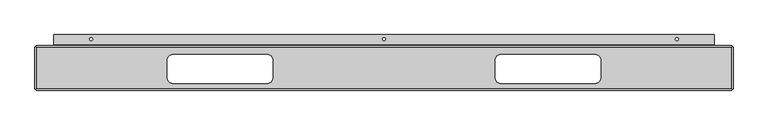
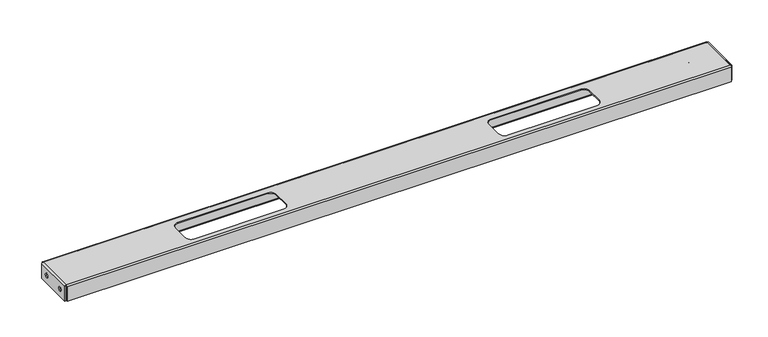
"""IFC4 building model written with IfcOpenShell, lengths in millimetres: proxy geometry."""

from ifc_helpers import new_model, si_unit, frame, origin, place, context, project, spatial, polyline, circle_curve, source, transform, mapped, element, save
from ifc_brep_helpers import plane_surface, cylinder_surface, revolved_surface, advanced_brep


def generic_models_211fd346(model_context):
    return source(origin(), model_context, "Body", "AdvancedBrep", [
        advanced_brep(
        [(0.0, -22.2758, -23.34006), (1.6129, -22.2758, -23.34006), (1.6129, -22.2758, -13.81506), (0.0, -22.2758, -13.81506), (1512.33378, -22.2758, -23.34006), (1513.94668, -22.2758, -23.34006), (1513.94668, -22.2758, -13.81506), (1512.33378, -22.2758, -13.81506), (0.0, -74.5617, -23.34006), (1.6129, -74.5617, -23.34006), (1.6129, -74.5617, -13.81506), (0.0, -74.5617, -13.81506), (1512.33378, -74.5617, -23.34006), (1513.94668, -74.5617, -23.34006), (1513.94668, -74.5617, -13.81506), (1512.33378, -74.5617, -13.81506), (1395.14834, 14.2621, -36.4871), (1395.14834, 14.2621, -34.8742), (1388.79834, 14.2621, -34.8742), (1388.79834, 14.2621, -36.4871), (125.14834, 14.2621, -36.4871), (125.14834, 14.2621, -34.8742), (118.79834, 14.2621, -34.8742), (118.79834, 14.2621, -36.4871), (760.14834, 14.2621, -36.4871), (760.14834, 14.2621, -34.8742), (753.79834, 14.2621, -34.8742), (753.79834, 14.2621, -36.4871), (299.77334, -18.9611, 0.0), (502.97334, -18.9611, 0.0), (502.97334, -18.9611, 1.6129), (299.77334, -18.9611, 1.6129), (287.07334, -31.6611, 0.0), (287.07334, -31.6611, 1.6129), (287.07334, -69.7611, 0.0), (287.07334, -69.7611, 1.6129), (299.77334, -82.4611, 0.0), (299.77334, -82.4611, 1.6129), (502.97334, -82.4611, 0.0), (502.97334, -82.4611, 1.6129), (515.67334, -69.7611, 0.0), (515.67334, -69.7611, 1.6129), (515.67334, -31.6611, 0.0), (515.67334, -31.6611, 1.6129), (1010.97334, -18.9611, 0.0), (1214.17334, -18.9611, 0.0), (1214.17334, -18.9611, 1.6129), (1010.97334, -18.9611, 1.6129), (998.27334, -31.6611, 0.0), (998.27334, -31.6611, 1.6129), (998.27334, -69.7611, 0.0), (998.27334, -69.7611, 1.6129), (1010.97334, -82.4611, 0.0), (1010.97334, -82.4611, 1.6129), (1214.17334, -82.4611, 0.0), (1214.17334, -82.4611, 1.6129), (1226.87334, -69.7611, 0.0), (1226.87334, -69.7611, 1.6129), (1226.87334, -31.6611, 0.0), (1226.87334, -31.6611, 1.6129), (41.3258, 1.6129, -36.4871), (1472.62088, 1.6129, -36.4871), (1472.62088, -1.6129, -33.2613), (41.3258, -1.6129, -33.2613), (1472.62088, 1.6129, -34.8742), (41.3258, 1.6129, -34.8742), (41.3258, 0.0, -33.2613), (1472.62088, 0.0, -33.2613), (3.2258, -1.6129, -33.2613), (3.2258, 0.0, -33.2613), (1510.72088, 0.0, -33.2613), (1510.72088, -1.6129, -33.2613), (1510.72088, 0.0, -1.6129), (1510.72088, -3.2258, 1.6129), (1510.72088, -3.2258, 0.0), (1510.72088, -1.6129, -1.6129), (3.2258, -1.6129, -1.6129), (3.2258, 0.0, -1.6129), (1510.72088, -96.8375, -36.4871), (1510.72088, -96.8375, -1.6129), (3.2258, -96.8375, -1.6129), (3.2258, -96.8375, -36.4871), (1510.72088, -95.2246, -36.4871), (3.2258, -95.2246, -36.4871), (1513.94668, -93.6117, -1.6129), (1513.94668, -3.2258, -1.6129), (1510.72088, -93.6117, 1.6129), (1512.33378, -3.2258, -1.6129), (1512.33378, -93.6117, -1.6129), (1510.72088, -93.6117, 0.0), (1510.72088, -95.2246, -1.6129), (3.2258, -3.2258, 0.0), (3.2258, -93.6117, 1.6129), (3.2258, -93.6117, 0.0), (0.0, -3.2258, -1.6129), (0.0, -93.6117, -1.6129), (3.2258, -3.2258, 1.6129), (1.6129, -93.6117, -1.6129), (1.6129, -3.2258, -1.6129), (3.2258, -95.2246, -1.6129), (0.0, -93.6117, -36.4871), (1.6129, -93.6117, -36.4871), (0.0, -3.2258, -36.4871), (1.6129, -3.2258, -36.4871), (1513.94668, -3.2258, -36.4871), (1512.33378, -3.2258, -36.4871), (1513.94668, -93.6117, -36.4871), (1512.33378, -93.6117, -36.4871), (1472.62088, 23.7871, -36.4871), (1472.62088, 23.7871, -34.8742), (41.3258, 23.7871, -36.4871), (41.3258, 23.7871, -34.8742)],
        [
            (0, 1),
            (1, 2, circle_curve(frame((1.6129, -22.2758, -18.57756), z_axis=(1.0, 0.0, 0.0), x_axis=(0.0, 0.0, -1.0)), 4.7625)),
            (2, 3),
            (3, 0, circle_curve(frame((0.0, -22.2758, -18.57756), z_axis=(-1.0, 0.0, 0.0), x_axis=(0.0, 0.0, -1.0)), 4.7625)),
            (4, 5),
            (5, 6, circle_curve(frame((1513.94668, -22.2758, -18.57756), z_axis=(1.0, 0.0, 0.0), x_axis=(0.0, 0.0, -1.0)), 4.7625)),
            (6, 7),
            (7, 4, circle_curve(frame((1512.33378, -22.2758, -18.57756), z_axis=(-1.0, 0.0, 0.0), x_axis=(0.0, 0.0, -1.0)), 4.7625)),
            (8, 9),
            (9, 10, circle_curve(frame((1.6129, -74.5617, -18.57756), z_axis=(1.0, 0.0, 0.0), x_axis=(0.0, 0.0, -1.0)), 4.7625)),
            (10, 11),
            (11, 8, circle_curve(frame((0.0, -74.5617, -18.57756), z_axis=(-1.0, 0.0, 0.0), x_axis=(0.0, 0.0, -1.0)), 4.7625)),
            (12, 13),
            (13, 14, circle_curve(frame((1513.94668, -74.5617, -18.57756), z_axis=(1.0, 0.0, 0.0), x_axis=(0.0, 0.0, -1.0)), 4.7625)),
            (14, 15),
            (15, 12, circle_curve(frame((1512.33378, -74.5617, -18.57756), z_axis=(-1.0, 0.0, 0.0), x_axis=(0.0, 0.0, -1.0)), 4.7625)),
            (16, 17),
            (17, 18, circle_curve(frame((1391.97334, 14.2621, -34.8742), z_axis=(0.0, 0.0, 1.0), x_axis=(1.0, 0.0, 0.0)), 3.175)),
            (18, 19),
            (19, 16, circle_curve(frame((1391.97334, 14.2621, -36.4871), z_axis=(0.0, 0.0, -1.0), x_axis=(1.0, 0.0, 0.0)), 3.175)),
            (20, 21),
            (21, 22, circle_curve(frame((121.97334, 14.2621, -34.8742), z_axis=(0.0, 0.0, 1.0), x_axis=(1.0, 0.0, 0.0)), 3.175)),
            (22, 23),
            (23, 20, circle_curve(frame((121.97334, 14.2621, -36.4871), z_axis=(0.0, 0.0, -1.0), x_axis=(1.0, 0.0, 0.0)), 3.175)),
            (24, 25),
            (25, 26, circle_curve(frame((756.97334, 14.2621, -34.8742), z_axis=(0.0, 0.0, 1.0), x_axis=(1.0, 0.0, 0.0)), 3.175)),
            (26, 27),
            (27, 24, circle_curve(frame((756.97334, 14.2621, -36.4871), z_axis=(0.0, 0.0, -1.0), x_axis=(1.0, 0.0, 0.0)), 3.175)),
            (24, 27, circle_curve(frame((756.97334, 14.2621, -36.4871), z_axis=(0.0, 0.0, -1.0), x_axis=(1.0, 0.0, 0.0)), 3.175)),
            (26, 25, circle_curve(frame((756.97334, 14.2621, -34.8742), z_axis=(0.0, 0.0, 1.0), x_axis=(1.0, 0.0, 0.0)), 3.175)),
            (20, 23, circle_curve(frame((121.97334, 14.2621, -36.4871), z_axis=(0.0, 0.0, -1.0), x_axis=(1.0, 0.0, 0.0)), 3.175)),
            (22, 21, circle_curve(frame((121.97334, 14.2621, -34.8742), z_axis=(0.0, 0.0, 1.0), x_axis=(1.0, 0.0, 0.0)), 3.175)),
            (16, 19, circle_curve(frame((1391.97334, 14.2621, -36.4871), z_axis=(0.0, 0.0, -1.0), x_axis=(1.0, 0.0, 0.0)), 3.175)),
            (18, 17, circle_curve(frame((1391.97334, 14.2621, -34.8742), z_axis=(0.0, 0.0, 1.0), x_axis=(1.0, 0.0, 0.0)), 3.175)),
            (28, 29),
            (29, 30),
            (30, 31),
            (31, 28),
            (32, 28, circle_curve(frame((299.77334, -31.6611, 0.0), z_axis=(0.0, 0.0, -1.0), x_axis=(0.0, -1.0, 0.0)), 12.7)),
            (31, 33, circle_curve(frame((299.77334, -31.6611, 1.6129), z_axis=(0.0, 0.0, 1.0), x_axis=(0.0, -1.0, 0.0)), 12.7)),
            (33, 32),
            (34, 32),
            (33, 35),
            (35, 34),
            (36, 34, circle_curve(frame((299.77334, -69.7611, 0.0), z_axis=(0.0, 0.0, -1.0), x_axis=(1.0, 0.0, 0.0)), 12.7)),
            (35, 37, circle_curve(frame((299.77334, -69.7611, 1.6129), z_axis=(0.0, 0.0, 1.0), x_axis=(1.0, 0.0, 0.0)), 12.7)),
            (37, 36),
            (38, 36),
            (37, 39),
            (39, 38),
            (40, 38, circle_curve(frame((502.97334, -69.7611, 0.0), z_axis=(0.0, 0.0, -1.0), x_axis=(0.0, 1.0, 0.0)), 12.7)),
            (39, 41, circle_curve(frame((502.97334, -69.7611, 1.6129), z_axis=(0.0, 0.0, 1.0), x_axis=(0.0, 1.0, 0.0)), 12.7)),
            (41, 40),
            (42, 40),
            (41, 43),
            (43, 42),
            (29, 42, circle_curve(frame((502.97334, -31.6611, 0.0), z_axis=(0.0, 0.0, -1.0), x_axis=(-1.0, 0.0, 0.0)), 12.7)),
            (43, 30, circle_curve(frame((502.97334, -31.6611, 1.6129), z_axis=(0.0, 0.0, 1.0), x_axis=(-1.0, 0.0, 0.0)), 12.7)),
            (44, 45),
            (45, 46),
            (46, 47),
            (47, 44),
            (48, 44, circle_curve(frame((1010.97334, -31.6611, 0.0), z_axis=(0.0, 0.0, -1.0), x_axis=(0.0, -1.0, 0.0)), 12.7)),
            (47, 49, circle_curve(frame((1010.97334, -31.6611, 1.6129), z_axis=(0.0, 0.0, 1.0), x_axis=(0.0, -1.0, 0.0)), 12.7)),
            (49, 48),
            (50, 48),
            (49, 51),
            (51, 50),
            (52, 50, circle_curve(frame((1010.97334, -69.7611, 0.0), z_axis=(0.0, 0.0, -1.0), x_axis=(1.0, 0.0, 0.0)), 12.7)),
            (51, 53, circle_curve(frame((1010.97334, -69.7611, 1.6129), z_axis=(0.0, 0.0, 1.0), x_axis=(1.0, 0.0, 0.0)), 12.7)),
            (53, 52),
            (54, 52),
            (53, 55),
            (55, 54),
            (56, 54, circle_curve(frame((1214.17334, -69.7611, 0.0), z_axis=(0.0, 0.0, -1.0), x_axis=(0.0, 1.0, 0.0)), 12.7)),
            (55, 57, circle_curve(frame((1214.17334, -69.7611, 1.6129), z_axis=(0.0, 0.0, 1.0), x_axis=(0.0, 1.0, 0.0)), 12.7)),
            (57, 56),
            (58, 56),
            (57, 59),
            (59, 58),
            (45, 58, circle_curve(frame((1214.17334, -31.6611, 0.0), z_axis=(0.0, 0.0, -1.0), x_axis=(-1.0, 0.0, 0.0)), 12.7)),
            (59, 46, circle_curve(frame((1214.17334, -31.6611, 1.6129), z_axis=(0.0, 0.0, 1.0), x_axis=(-1.0, 0.0, 0.0)), 12.7)),
            (12, 15, circle_curve(frame((1512.33378, -74.5617, -18.57756), z_axis=(-1.0, 0.0, 0.0), x_axis=(0.0, 0.0, -1.0)), 4.7625)),
            (14, 13, circle_curve(frame((1513.94668, -74.5617, -18.57756), z_axis=(1.0, 0.0, 0.0), x_axis=(0.0, 0.0, -1.0)), 4.7625)),
            (8, 11, circle_curve(frame((0.0, -74.5617, -18.57756), z_axis=(-1.0, 0.0, 0.0), x_axis=(0.0, 0.0, -1.0)), 4.7625)),
            (10, 9, circle_curve(frame((1.6129, -74.5617, -18.57756), z_axis=(1.0, 0.0, 0.0), x_axis=(0.0, 0.0, -1.0)), 4.7625)),
            (4, 7, circle_curve(frame((1512.33378, -22.2758, -18.57756), z_axis=(-1.0, 0.0, 0.0), x_axis=(0.0, 0.0, -1.0)), 4.7625)),
            (6, 5, circle_curve(frame((1513.94668, -22.2758, -18.57756), z_axis=(1.0, 0.0, 0.0), x_axis=(0.0, 0.0, -1.0)), 4.7625)),
            (0, 3, circle_curve(frame((0.0, -22.2758, -18.57756), z_axis=(-1.0, 0.0, 0.0), x_axis=(0.0, 0.0, -1.0)), 4.7625)),
            (2, 1, circle_curve(frame((1.6129, -22.2758, -18.57756), z_axis=(1.0, 0.0, 0.0), x_axis=(0.0, 0.0, -1.0)), 4.7625)),
            (60, 61),
            (61, 62, circle_curve(frame((1472.62088, 1.6129, -33.2613), z_axis=(-1.0, 0.0, 0.0), x_axis=(0.0, -1.0, 0.0)), 3.2258)),
            (62, 63),
            (63, 60, circle_curve(frame((41.3258, 1.6129, -33.2613), z_axis=(1.0, 0.0, 0.0), x_axis=(0.0, -1.0, 0.0)), 3.2258)),
            (64, 65),
            (65, 66, circle_curve(frame((41.3258, 1.6129, -33.2613), z_axis=(-1.0, 0.0, 0.0), x_axis=(0.0, -1.0, 0.0)), 1.6129)),
            (66, 67),
            (67, 64, circle_curve(frame((1472.62088, 1.6129, -33.2613), z_axis=(1.0, 0.0, 0.0), x_axis=(0.0, -1.0, 0.0)), 1.6129)),
            (66, 63),
            (63, 68),
            (68, 69),
            (69, 66),
            (62, 67),
            (67, 70),
            (70, 71),
            (71, 62),
            (70, 72),
            (72, 73, circle_curve(frame((1510.72088, -3.2258, -1.6129), z_axis=(1.0, 0.0, 0.0), x_axis=(0.0, 0.0, 1.0)), 3.2258)),
            (73, 74),
            (74, 75, circle_curve(frame((1510.72088, -3.2258, -1.6129), z_axis=(-1.0, 0.0, 0.0), x_axis=(0.0, 0.0, 1.0)), 1.6129)),
            (75, 71),
            (75, 76),
            (76, 68),
            (69, 77),
            (77, 72),
            (78, 79),
            (79, 80),
            (80, 81),
            (81, 78),
            (82, 78),
            (81, 83),
            (83, 82),
            (84, 85),
            (85, 73, circle_curve(frame((1510.72088, -3.2258, -1.6129), z_axis=(0.0, -1.0, 0.0), x_axis=(0.0, 0.0, 1.0)), 3.2258)),
            (73, 86),
            (86, 84, circle_curve(frame((1510.72088, -93.6117, -1.6129), z_axis=(0.0, 1.0, 0.0), x_axis=(0.0, 0.0, 1.0)), 3.2258)),
            (87, 88),
            (88, 89, circle_curve(frame((1510.72088, -93.6117, -1.6129), z_axis=(0.0, -1.0, 0.0), x_axis=(0.0, 0.0, 1.0)), 1.6129)),
            (89, 74),
            (74, 87, circle_curve(frame((1510.72088, -3.2258, -1.6129), z_axis=(0.0, 1.0, 0.0), x_axis=(0.0, 0.0, 1.0)), 1.6129)),
            (89, 86),
            (86, 79, circle_curve(frame((1510.72088, -93.6117, -1.6129), z_axis=(1.0, 0.0, 0.0), x_axis=(0.0, 0.0, 1.0)), 3.2258)),
            (82, 90),
            (90, 89, circle_curve(frame((1510.72088, -93.6117, -1.6129), z_axis=(-1.0, 0.0, 0.0), x_axis=(0.0, 0.0, 1.0)), 1.6129)),
            (74, 91),
            (91, 76, circle_curve(frame((3.2258, -3.2258, -1.6129), z_axis=(-1.0, 0.0, 0.0), x_axis=(0.0, 0.0, 1.0)), 1.6129)),
            (86, 92),
            (92, 80, circle_curve(frame((3.2258, -93.6117, -1.6129), z_axis=(1.0, 0.0, 0.0), x_axis=(0.0, 0.0, 1.0)), 3.2258)),
            (89, 93),
            (93, 91),
            (94, 95),
            (95, 92, circle_curve(frame((3.2258, -93.6117, -1.6129), z_axis=(0.0, 1.0, 0.0), x_axis=(0.0, 0.0, 1.0)), 3.2258)),
            (92, 96),
            (96, 94, circle_curve(frame((3.2258, -3.2258, -1.6129), z_axis=(0.0, -1.0, 0.0), x_axis=(0.0, 0.0, 1.0)), 3.2258)),
            (97, 98),
            (98, 91, circle_curve(frame((3.2258, -3.2258, -1.6129), z_axis=(0.0, 1.0, 0.0), x_axis=(0.0, 0.0, 1.0)), 1.6129)),
            (93, 97, circle_curve(frame((3.2258, -93.6117, -1.6129), z_axis=(0.0, -1.0, 0.0), x_axis=(0.0, 0.0, 1.0)), 1.6129)),
            (91, 96),
            (96, 77, circle_curve(frame((3.2258, -3.2258, -1.6129), z_axis=(-1.0, 0.0, 0.0), x_axis=(0.0, 0.0, 1.0)), 3.2258)),
            (92, 93),
            (93, 99, circle_curve(frame((3.2258, -93.6117, -1.6129), z_axis=(1.0, 0.0, 0.0), x_axis=(0.0, 0.0, 1.0)), 1.6129)),
            (99, 83),
            (96, 73),
            (90, 99),
            (95, 100),
            (100, 101),
            (101, 97),
            (94, 102),
            (102, 100),
            (98, 103),
            (103, 102),
            (103, 101),
            (85, 104),
            (104, 105),
            (105, 87),
            (84, 106),
            (106, 104),
            (88, 107),
            (107, 106),
            (107, 105),
            (61, 108),
            (108, 109),
            (109, 64),
            (60, 110),
            (110, 108),
            (65, 111),
            (111, 110),
            (111, 109),
        ],
        [
            revolved_surface(polyline([(1.6128999999999998, -22.2758, -23.340059999999998), (0.0, -22.2758, -23.340059999999998)]), (-5.2756388, -22.2758, -18.57756), (1.0, 0.0, 0.0)),
            revolved_surface(polyline([(1513.94668, -22.2758, -23.340059999999998), (1512.33378, -22.2758, -23.340059999999998)]), (-5.2756388, -22.2758, -18.57756), (1.0, 0.0, 0.0)),
            revolved_surface(polyline([(1.6128999999999998, -74.5617, -23.340059999999998), (0.0, -74.5617, -23.340059999999998)]), (-5.2756388, -74.5617, -18.57756), (1.0, 0.0, 0.0)),
            revolved_surface(polyline([(1513.94668, -74.5617, -23.340059999999998), (1512.33378, -74.5617, -23.340059999999998)]), (-5.2756388, -74.5617, -18.57756), (1.0, 0.0, 0.0)),
            revolved_surface(polyline([(1395.14834, 14.2621, -34.8742), (1395.14834, 14.2621, -36.4871)]), (1391.97334, 14.2621, -44.3992), (0.0, 0.0, 1.0)),
            revolved_surface(polyline([(125.14833999999999, 14.2621, -34.8742), (125.14833999999999, 14.2621, -36.4871)]), (121.97334, 14.2621, -44.3992), (0.0, 0.0, 1.0)),
            revolved_surface(polyline([(760.14834, 14.2621, -34.8742), (760.14834, 14.2621, -36.4871)]), (756.97334, 14.2621, -44.3992), (0.0, 0.0, 1.0)),
            plane_surface(frame((401.37334, -18.9611, 1.6129), z_axis=(0.0, -1.0, 0.0), x_axis=(0.0, 0.0, 1.0))),
            revolved_surface(polyline([(299.77334, -44.3611, 0.0), (299.77334, -44.3611, 1.6129)]), (299.77334, -31.6611, 1.6129), (0.0, 0.0, -1.0)),
            plane_surface(frame((287.07334, -31.6611, 1.6129), z_axis=(1.0, 0.0, 0.0), x_axis=(0.0, 0.0, 1.0))),
            revolved_surface(polyline([(312.47334, -69.7611, 0.0), (312.47334, -69.7611, 1.6129)]), (299.77334, -69.7611, 1.6129), (0.0, 0.0, -1.0)),
            plane_surface(frame((299.77334, -82.4611, 1.6129), z_axis=(0.0, 1.0, 0.0), x_axis=(0.0, 0.0, -1.0))),
            revolved_surface(polyline([(502.97334, -57.061099999999996, 0.0), (502.97334, -57.061099999999996, 1.6129)]), (502.97334, -69.7611, 1.6129), (0.0, 0.0, -1.0)),
            plane_surface(frame((515.67334, -69.7611, 1.6129), z_axis=(-1.0, 0.0, 0.0), x_axis=(0.0, 0.0, -1.0))),
            revolved_surface(polyline([(490.27334, -31.6611, 0.0), (490.27334, -31.6611, 1.6129)]), (502.97334, -31.6611, 1.6129), (0.0, 0.0, -1.0)),
            plane_surface(frame((1112.57334, -18.9611, 1.6129), z_axis=(0.0, -1.0, 0.0), x_axis=(0.0, 0.0, 1.0))),
            revolved_surface(polyline([(1010.97334, -44.3611, 0.0), (1010.97334, -44.3611, 1.6129)]), (1010.97334, -31.6611, 1.6129), (0.0, 0.0, -1.0)),
            plane_surface(frame((998.27334, -31.6611, 1.6129), z_axis=(1.0, 0.0, 0.0), x_axis=(0.0, 0.0, 1.0))),
            revolved_surface(polyline([(1023.67334, -69.7611, 0.0), (1023.67334, -69.7611, 1.6129)]), (1010.97334, -69.7611, 1.6129), (0.0, 0.0, -1.0)),
            plane_surface(frame((1010.97334, -82.4611, 1.6129), z_axis=(0.0, 1.0, 0.0), x_axis=(0.0, 0.0, -1.0))),
            revolved_surface(polyline([(1214.17334, -57.061099999999996, 0.0), (1214.17334, -57.061099999999996, 1.6129)]), (1214.17334, -69.7611, 1.6129), (0.0, 0.0, -1.0)),
            plane_surface(frame((1226.87334, -69.7611, 1.6129), z_axis=(-1.0, 0.0, 0.0), x_axis=(0.0, 0.0, -1.0))),
            revolved_surface(polyline([(1201.47334, -31.6611, 0.0), (1201.47334, -31.6611, 1.6129)]), (1214.17334, -31.6611, 1.6129), (0.0, 0.0, -1.0)),
            cylinder_surface(frame((756.97334, 1.6129, -33.2613), z_axis=(1.0, 0.0, 0.0), x_axis=(0.0, -1.0, 0.0)), 3.2258),
            revolved_surface(polyline([(1472.62088, 0.0, -33.2613), (41.32579999999996, 0.0, -33.2613)]), (756.97334, 1.6129, -33.2613), (1.0, 0.0, 0.0)),
            plane_surface(frame((1472.62088, -1.6129, -33.2613), z_axis=(0.0, 0.0, -1.0), x_axis=(1.0, 0.0, 0.0))),
            plane_surface(frame((1510.72088, -3.2258, 1.6129), z_axis=(1.0, 0.0, 0.0), x_axis=(0.0, 0.0, 1.0))),
            plane_surface(frame((756.97334, -1.6129, -17.4371), z_axis=(0.0, -1.0, 0.0), x_axis=(0.0, 0.0, 1.0))),
            plane_surface(frame((756.97334, 0.0, -17.4371), z_axis=(0.0, 1.0, 0.0), x_axis=(0.0, 0.0, 1.0))),
            plane_surface(frame((756.97334, -96.8375, -17.4371), z_axis=(0.0, -1.0, 0.0), x_axis=(0.0, 0.0, 1.0))),
            plane_surface(frame((0.0, -96.8375, -36.4871), z_axis=(0.0, 0.0, -1.0), x_axis=(-1.0, 0.0, 0.0))),
            cylinder_surface(frame((1510.72088, -48.41875, -1.6129), z_axis=(0.0, 1.0, 0.0), x_axis=(0.0, 0.0, 1.0)), 3.2258),
            revolved_surface(polyline([(1510.72088, -3.2257999999999996, 0.0), (1510.72088, -93.6117, 0.0)]), (1510.72088, -48.41875, -1.6129), (0.0, 1.0, 0.0)),
            revolved_surface(polyline([(3.2258000000000493, -3.2258, 0.0), (1510.72088, -3.2258, 0.0)]), (756.97334, -3.2258, -1.6129), (-1.0, 0.0, 0.0)),
            cylinder_surface(frame((756.97334, -93.6117, -1.6129), z_axis=(1.0, 0.0, 0.0), x_axis=(0.0, 0.0, 1.0)), 3.2258),
            plane_surface(frame((756.97334, -48.41875, 0.0), z_axis=(0.0, 0.0, -1.0), x_axis=(1.0, 0.0, 0.0))),
            cylinder_surface(frame((3.2258, -48.41875, -1.6129), z_axis=(0.0, -1.0, 0.0), x_axis=(0.0, 0.0, 1.0)), 3.2258),
            revolved_surface(polyline([(3.2258, -93.6117, 0.0), (3.2258, -3.2257999999999996, 0.0)]), (3.2258, -48.41875, -1.6129), (0.0, -1.0, 0.0)),
            plane_surface(frame((3.2258, -93.6117, 1.6129), z_axis=(-1.0, 0.0, 0.0), x_axis=(0.0, 0.0, -1.0))),
            cylinder_surface(frame((756.97334, -3.2258, -1.6129), z_axis=(-1.0, 0.0, 0.0), x_axis=(0.0, 0.0, 1.0)), 3.2258),
            revolved_surface(polyline([(1510.72088, -93.6117, 0.0), (3.2258000000000493, -93.6117, 0.0)]), (756.97334, -93.6117, -1.6129), (1.0, 0.0, 0.0)),
            plane_surface(frame((756.97334, -48.41875, 1.6129), z_axis=(0.0, 0.0, 1.0), x_axis=(1.0, 0.0, 0.0))),
            plane_surface(frame((756.97334, -95.2246, -17.4371), z_axis=(0.0, 1.0, 0.0), x_axis=(0.0, 0.0, 1.0))),
            plane_surface(frame((0.0, -93.6117, -36.4871), z_axis=(0.0, -1.0, 0.0), x_axis=(0.0, 0.0, -1.0))),
            plane_surface(frame((0.0, -48.41875, -17.4371), z_axis=(-1.0, 0.0, 0.0), x_axis=(0.0, 0.0, -1.0))),
            plane_surface(frame((0.0, -3.2258, 1.6129), z_axis=(0.0, 1.0, 0.0), x_axis=(0.0, 0.0, 1.0))),
            plane_surface(frame((0.0, -3.2258, -36.4871), z_axis=(0.0, 0.0, -1.0), x_axis=(-1.0, 0.0, 0.0))),
            plane_surface(frame((1.6129, -48.41875, -17.4371), z_axis=(1.0, 0.0, 0.0), x_axis=(0.0, 0.0, -1.0))),
            plane_surface(frame((1513.94668, -3.2258, -36.4871), z_axis=(0.0, 1.0, 0.0), x_axis=(0.0, 0.0, 1.0))),
            plane_surface(frame((1513.94668, -48.41875, -17.4371), z_axis=(1.0, 0.0, 0.0), x_axis=(0.0, 0.0, -1.0))),
            plane_surface(frame((1513.94668, -93.6117, 1.6129), z_axis=(0.0, -1.0, 0.0), x_axis=(0.0, 0.0, -1.0))),
            plane_surface(frame((1513.94668, -93.6117, -36.4871), z_axis=(0.0, 0.0, -1.0), x_axis=(-1.0, 0.0, 0.0))),
            plane_surface(frame((1512.33378, -48.41875, -17.4371), z_axis=(-1.0, 0.0, 0.0), x_axis=(0.0, 0.0, -1.0))),
            plane_surface(frame((1472.62088, 23.7871, -36.4871), z_axis=(1.0, 0.0, 0.0), x_axis=(0.0, 0.0, -1.0))),
            plane_surface(frame((756.97334, 11.0871, -36.4871), z_axis=(0.0, 0.0, -1.0), x_axis=(1.0, 0.0, 0.0))),
            plane_surface(frame((41.3258, -1.6129, -36.4871), z_axis=(-1.0, 0.0, 0.0), x_axis=(0.0, 0.0, 1.0))),
            plane_surface(frame((41.3258, 23.7871, -36.4871), z_axis=(0.0, 1.0, 0.0), x_axis=(0.0, 0.0, 1.0))),
            plane_surface(frame((756.97334, 11.0871, -34.8742), z_axis=(0.0, 0.0, 1.0), x_axis=(1.0, 0.0, 0.0))),
        ],
        [
            (0, [[1, 2, 3, 4]]),
            (1, [[5, 6, 7, 8]]),
            (2, [[9, 10, 11, 12]]),
            (3, [[13, 14, 15, 16]]),
            (4, [[17, 18, 19, 20]]),
            (5, [[21, 22, 23, 24]]),
            (6, [[25, 26, 27, 28]]),
            (6, [[-25, 29, -27, 30]]),
            (5, [[-21, 31, -23, 32]]),
            (4, [[-17, 33, -19, 34]]),
            (7, [[35, 36, 37, 38]]),
            (8, [[39, -38, 40, 41]]),
            (9, [[42, -41, 43, 44]]),
            (10, [[45, -44, 46, 47]]),
            (11, [[48, -47, 49, 50]]),
            (12, [[51, -50, 52, 53]]),
            (13, [[54, -53, 55, 56]]),
            (14, [[57, -56, 58, -36]]),
            (15, [[59, 60, 61, 62]]),
            (16, [[63, -62, 64, 65]]),
            (17, [[66, -65, 67, 68]]),
            (18, [[69, -68, 70, 71]]),
            (19, [[72, -71, 73, 74]]),
            (20, [[75, -74, 76, 77]]),
            (21, [[78, -77, 79, 80]]),
            (22, [[81, -80, 82, -60]]),
            (3, [[-13, 83, -15, 84]]),
            (2, [[-9, 85, -11, 86]]),
            (1, [[-5, 87, -7, 88]]),
            (0, [[-1, 89, -3, 90]]),
            (23, [[91, 92, 93, 94]]),
            (24, [[95, 96, 97, 98]]),
            (25, [[99, 100, 101, 102]]),
            (25, [[103, 104, 105, 106]]),
            (26, [[-105, 107, 108, 109, 110, 111]]),
            (27, [[-100, -93, -106, -111, 112, 113]]),
            (28, [[-104, -97, -102, 114, 115, -107]]),
            (29, [[116, 117, 118, 119]]),
            (30, [[120, -119, 121, 122]]),
            (31, [[123, 124, 125, 126]]),
            (32, [[127, 128, 129, 130]]),
            (26, [[131, 132, -116, -120, 133, 134]]),
            (33, [[-110, 135, 136, -112]]),
            (34, [[-132, 137, 138, -117]]),
            (35, [[-129, 139, 140, -135], [-35, -39, -42, -45, -48, -51, -54, -57], [-59, -63, -66, -69, -72, -75, -78, -81]]),
            (36, [[141, 142, 143, 144]]),
            (37, [[145, 146, -140, 147]]),
            (38, [[-101, -113, -136, 148, 149, -114]]),
            (38, [[150, 151, 152, -121, -118, -138]]),
            (39, [[-108, -115, -149, 153]]),
            (40, [[-134, 154, -151, -139]]),
            (41, [[-125, -153, -143, -137], [-37, -58, -55, -52, -49, -46, -43, -40], [-61, -82, -79, -76, -73, -70, -67, -64]]),
            (42, [[-133, -122, -152, -154]]),
            (43, [[155, 156, 157, -147, -150, -142]]),
            (44, [[-141, 158, 159, -155], [-85, -12], [-89, -4]]),
            (45, [[160, 161, -158, -144, -148, -146]]),
            (46, [[162, -156, -159, -161]]),
            (47, [[-145, -157, -162, -160], [-2, -90], [-10, -86]]),
            (48, [[163, 164, 165, -130, -109, -124]]),
            (49, [[-123, 166, 167, -163], [-84, -14], [-88, -6]]),
            (50, [[168, 169, -166, -126, -131, -128]]),
            (51, [[170, -164, -167, -169]]),
            (52, [[-127, -165, -170, -168], [-83, -16], [-87, -8]]),
            (53, [[171, 172, 173, -98, -103, -92]]),
            (54, [[-91, 174, 175, -171], [-29, -28], [-31, -24], [-33, -20]]),
            (55, [[176, 177, -174, -94, -99, -96]]),
            (56, [[178, -172, -175, -177]]),
            (57, [[-95, -173, -178, -176], [-30, -26], [-32, -22], [-34, -18]]),
        ],
    ),
    ])


if __name__ == "__main__":
    model = new_model("IFC4")
    model_context = context("Model", 3, world=origin())
    ifc_project = project(units=[si_unit("LENGTHUNIT", "METRE", prefix="MILLI")], contexts=[model_context])
    site = spatial("IfcSite", under=ifc_project)
    building = spatial("IfcBuilding", under=site)
    placement = place(None, origin())
    generic_models_shape = generic_models_211fd346(model_context)
    element("IfcBuildingElementProxy", 1, Name="Generic Models", at=placement, inside=building, context=model_context, shape_type="MappedRepresentation", body=[
        mapped(generic_models_shape, transform((0.0, 0.0, 0.0), x_axis=(1.0, 0.0, 0.0), y_axis=(0.0, 1.0, 0.0), z_axis=(0.0, 0.0, 1.0))),
    ])
    save(model, "model.ifc")
